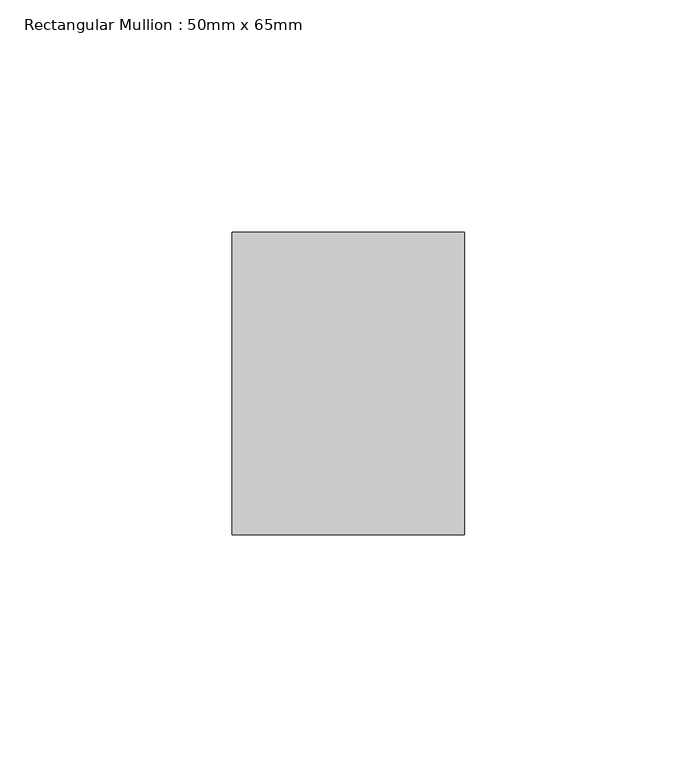
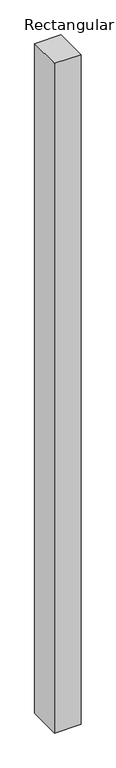
"""IFC4 building model written with IfcOpenShell, lengths in millimetres: member geometry, Rectangular Mullion : 50mm x 65mm."""

from ifc_helpers import new_model, si_unit, frame, origin, place, context, project, spatial, polyline, outline, extrude, source, transform, mapped, element, save


def rectangular_mullion_50mm_x_65mm_8df68178(model_context):
    return source(origin(), model_context, "Body", "SweptSolid", [
        extrude(outline(polyline([(25.0, 32.5), (25.0, -32.5), (-25.0, -32.5), (-25.0, 32.5), (25.0, 32.5)])), frame((0.0, 0.0, -1337.47899), z_axis=(0.0, 0.0, 1.0), x_axis=(1.0, 0.0, 0.0)), (0.0, 0.0, 1.0), 1337.47899),
    ])


if __name__ == "__main__":
    model = new_model("IFC4")
    model_context = context("Model", 3, world=origin())
    ifc_project = project(units=[si_unit("LENGTHUNIT", "METRE", prefix="MILLI")], contexts=[model_context])
    site = spatial("IfcSite", under=ifc_project)
    building = spatial("IfcBuilding", under=site)
    placement = place(None, origin())
    rectangular_mullion_50mm_x_65mm_shape = rectangular_mullion_50mm_x_65mm_8df68178(model_context)
    element("IfcMember", 1, ObjectType="Rectangular Mullion : 50mm x 65mm", at=placement, inside=building, context=model_context, shape_type="MappedRepresentation", body=[
        mapped(rectangular_mullion_50mm_x_65mm_shape, transform((0.0, 0.0, 0.0), x_axis=(1.0, 0.0, 0.0), y_axis=(0.0, 1.0, 0.0), z_axis=(0.0, 0.0, 1.0))),
    ])
    save(model, "model.ifc")
